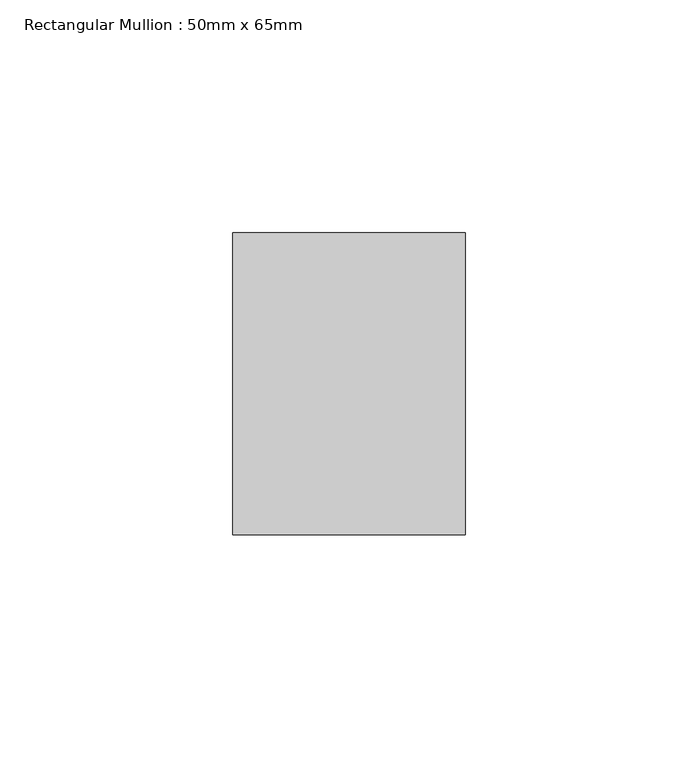
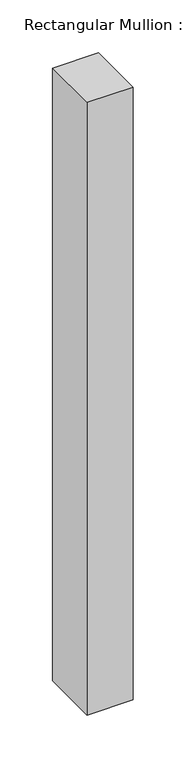
"""IFC4 building model written with IfcOpenShell, lengths in millimetres: member geometry, Rectangular Mullion : 50mm x 65mm."""

from ifc_helpers import new_model, si_unit, frame, origin, place, context, project, spatial, polyline, outline, extrude, source, transform, mapped, element, save


def rectangular_mullion_50mm_x_65mm_68348673(model_context):
    return source(origin(), model_context, "Body", "SweptSolid", [
        extrude(outline(polyline([(25.0, 32.5), (25.0, -32.5), (-25.0, -32.5), (-25.0, 32.5), (25.0, 32.5)])), frame((0.0, 0.0, -705.7729501), z_axis=(0.0, 0.0, 1.0), x_axis=(1.0, 0.0, 0.0)), (0.0, 0.0, 1.0), 705.7729501),
    ])


if __name__ == "__main__":
    model = new_model("IFC4")
    model_context = context("Model", 3, world=origin())
    ifc_project = project(units=[si_unit("LENGTHUNIT", "METRE", prefix="MILLI")], contexts=[model_context])
    site = spatial("IfcSite", under=ifc_project)
    building = spatial("IfcBuilding", under=site)
    placement = place(None, origin())
    rectangular_mullion_50mm_x_65mm_shape = rectangular_mullion_50mm_x_65mm_68348673(model_context)
    element("IfcMember", 1, ObjectType="Rectangular Mullion : 50mm x 65mm", at=placement, inside=building, context=model_context, shape_type="MappedRepresentation", body=[
        mapped(rectangular_mullion_50mm_x_65mm_shape, transform((0.0, 0.0, 0.0), x_axis=(1.0, 0.0, 0.0), y_axis=(0.0, 1.0, 0.0), z_axis=(0.0, 0.0, 1.0))),
    ])
    save(model, "model.ifc")
